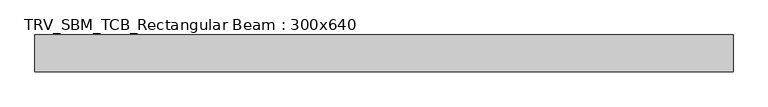
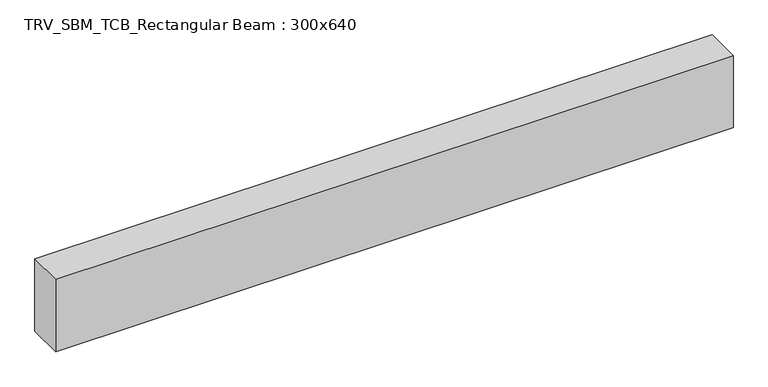
"""IFC4 building model written with IfcOpenShell, lengths in millimetres: beam geometry, TRV_SBM_TCB_Rectangular Beam : 300x640."""

from ifc_helpers import new_model, si_unit, frame, origin, place, context, project, spatial, polyline, outline, extrude, source, transform, mapped, element, save


def trv_sbm_tcb_rectangular_beam_300x640_2fa76f07(model_context):
    return source(origin(), model_context, "Body", "SweptSolid", [
        extrude(outline(polyline([(2829.7, 150.0), (2829.7, -150.0), (-2829.7, -150.0), (-2829.7, 150.0), (2829.7, 150.0)])), frame((0.0, 0.0, -320.0), z_axis=(0.0, 0.0, 1.0), x_axis=(1.0, 0.0, 0.0)), (0.0, 0.0, 1.0), 640.0),
    ])


if __name__ == "__main__":
    model = new_model("IFC4")
    model_context = context("Model", 3, world=origin())
    ifc_project = project(units=[si_unit("LENGTHUNIT", "METRE", prefix="MILLI")], contexts=[model_context])
    site = spatial("IfcSite", under=ifc_project)
    building = spatial("IfcBuilding", under=site)
    placement = place(None, origin())
    trv_sbm_tcb_rectangular_beam_300x640_shape = trv_sbm_tcb_rectangular_beam_300x640_2fa76f07(model_context)
    element("IfcBeam", 1, ObjectType="TRV_SBM_TCB_Rectangular Beam : 300x640", at=placement, inside=building, context=model_context, shape_type="MappedRepresentation", body=[
        mapped(trv_sbm_tcb_rectangular_beam_300x640_shape, transform((0.0, 0.0, 0.0), x_axis=(1.0, 0.0, 0.0), y_axis=(0.0, 1.0, 0.0), z_axis=(0.0, 0.0, 1.0))),
    ])
    save(model, "model.ifc")
